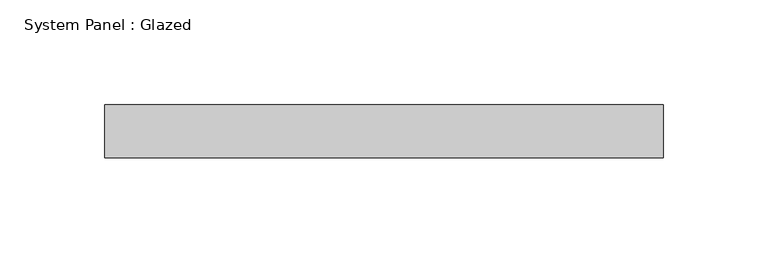
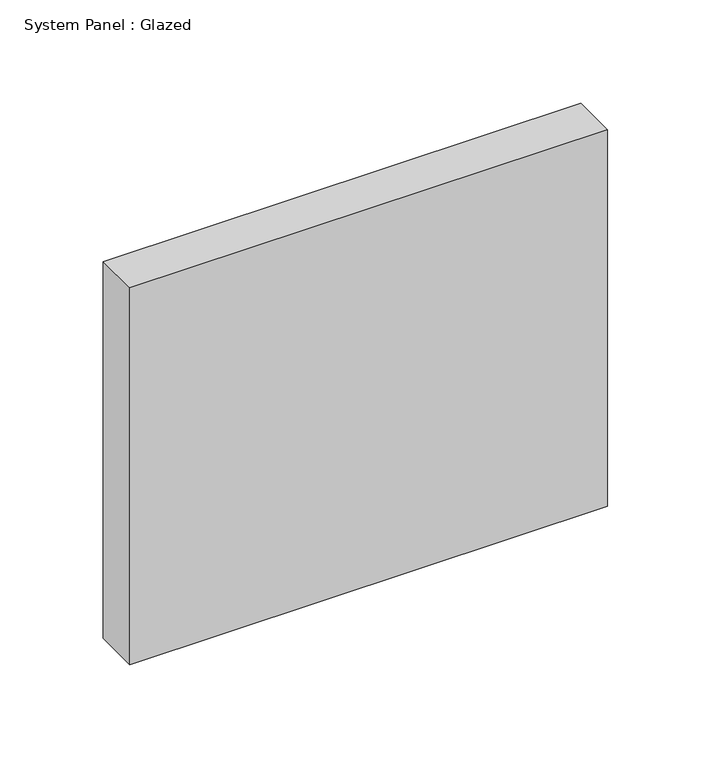
"""IFC4 building model written with IfcOpenShell, lengths in millimetres: plate geometry, System Panel : Glazed."""

from ifc_helpers import new_model, si_unit, origin, origin_with_axes, place, context, project, spatial, polyline, outline, extrude, source, transform, mapped, element, save


def system_panel_glazed_c5c3c633(model_context):
    return source(origin(), model_context, "Body", "SweptSolid", [
        extrude(outline(polyline([(133.35, 19.05), (-133.35, 19.05), (-133.35, 44.45), (133.35, 44.45), (133.35, 19.05)])), origin_with_axes(), (0.0, 0.0, 1.0), 222.25),
    ])


if __name__ == "__main__":
    model = new_model("IFC4")
    model_context = context("Model", 3, world=origin())
    ifc_project = project(units=[si_unit("LENGTHUNIT", "METRE", prefix="MILLI")], contexts=[model_context])
    site = spatial("IfcSite", under=ifc_project)
    building = spatial("IfcBuilding", under=site)
    placement = place(None, origin())
    system_panel_glazed_shape = system_panel_glazed_c5c3c633(model_context)
    element("IfcPlate", 1, ObjectType="System Panel : Glazed", at=placement, inside=building, context=model_context, shape_type="MappedRepresentation", body=[
        mapped(system_panel_glazed_shape, transform((0.0, 0.0, 0.0), x_axis=(1.0, 0.0, 0.0), y_axis=(0.0, 1.0, 0.0), z_axis=(0.0, 0.0, 1.0))),
    ])
    save(model, "model.ifc")
